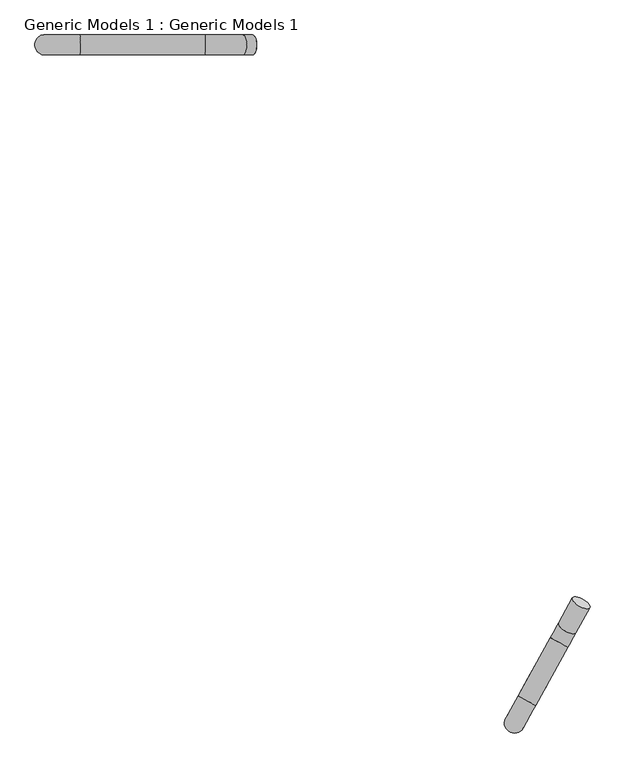
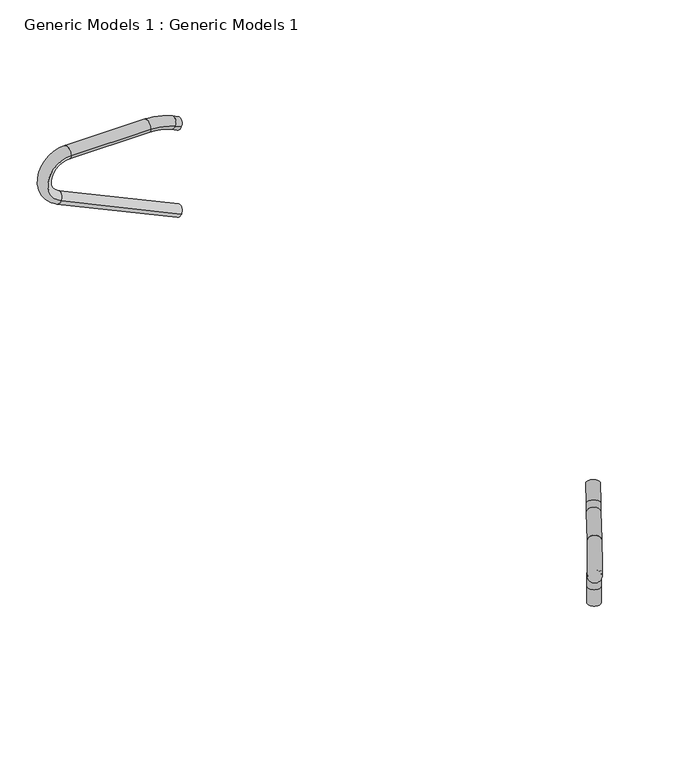
"""IFC4 building model written with IfcOpenShell, lengths in millimetres: proxy geometry, Generic Models 1 : Generic Models 1."""

from ifc_helpers import new_model, si_unit, point, frame, origin, place, context, project, spatial, circle_curve, ellipse_curve, trimmed, source, transform, mapped, element, save
from ifc_brep_helpers import plane_surface, revolved_surface, extruded_surface, advanced_brep


def generic_models_1_generic_models_1_4adf2e5b(model_context):
    return source(origin(), model_context, "Body", "AdvancedBrep", [
        advanced_brep(
        [(2051.045864, -1021.5930583, 1098.87259), (1917.8156327, -947.5966701, 1098.87259), (1944.8619846, -1212.7767522, 996.8948035), (1811.6317532, -1138.780364, 996.8948035), (1749.0873034, -1251.3914215, 968.337417), (1882.3175347, -1325.3878097, 968.337417), (1634.9145421, -1770.8360099, 968.337417), (1501.6843108, -1696.8396218, 968.337417), (1455.3653775, -1780.236695, 585.7224661), (1588.5956088, -1854.2330831, 585.7224661), (1686.6412356, -1677.7022839, 478.3539288), (1553.4110043, -1603.7058957, 478.3539288), (1631.9253806, -1462.3410429, 209.2315025), (1765.155612, -1536.3374311, 209.2315025), (1765.155612, -1536.3374311, 0.0), (1631.9253806, -1462.3410429, 0.0)],
        [
            (0, 1, ellipse_curve(frame((1984.4307483, -984.5948642, 1098.87259), z_axis=(0.4400492310185408, 0.7923070611342904, 0.4226182617407049), x_axis=(-0.8742141162936443, 0.48554060476228234, 0.0)), 76.2, 69.85)),
            (1, 0, ellipse_curve(frame((1984.4307483, -984.5948642, 1098.87259), z_axis=(0.4400492310185408, 0.7923070611342904, 0.4226182617407049), x_axis=(-0.8742141162936443, 0.48554060476228234, 0.0)), 76.2, 69.85)),
            (0, 2),
            (2, 3, ellipse_curve(frame((1878.2468689, -1175.7785581, 996.8948035), z_axis=(0.44004923101854043, 0.792307061134287, 0.4226182617407119), x_axis=(-0.8742141162936439, 0.48554060476228356, 0.0)), 76.2, 69.85)),
            (3, 1),
            (3, 2, ellipse_curve(frame((1878.2468689, -1175.7785581, 996.8948035), z_axis=(0.44004923101854043, 0.792307061134287, 0.4226182617407119), x_axis=(-0.8742141162936439, 0.48554060476228356, 0.0)), 76.2, 69.85)),
            (4, 3, circle_curve(frame((1749.0873034, -1251.3914215, 1273.137417), z_axis=(0.8742141162936438, -0.48554060476228317, 0.0), x_axis=(0.2051983263891702, 0.3694588502172124, -0.9063077870366443)), 304.8)),
            (2, 5, circle_curve(frame((1882.3175347, -1325.3878097, 1273.137417), z_axis=(-0.8742141162936438, 0.48554060476228317, 0.0), x_axis=(0.2051983263891702, 0.3694588502172124, -0.9063077870366443)), 304.8)),
            (5, 4, ellipse_curve(frame((1815.702419, -1288.3896156, 968.337417), z_axis=(0.4855406047622849, 0.8742141162936429, 0.0), x_axis=(-0.874214116293643, 0.485540604762285, 0.0)), 76.2, 69.85)),
            (4, 5, ellipse_curve(frame((1815.702419, -1288.3896156, 968.337417), z_axis=(0.4855406047622849, 0.8742141162936429, 0.0), x_axis=(-0.874214116293643, 0.485540604762285, 0.0)), 76.2, 69.85)),
            (5, 6),
            (6, 7, ellipse_curve(frame((1568.2994265, -1733.8378158, 968.337417), z_axis=(0.48554060476228456, 0.8742141162936431, 0.0), x_axis=(-0.8742141162936432, 0.48554060476228467, 0.0)), 76.2, 69.85)),
            (7, 4),
            (7, 6, ellipse_curve(frame((1568.2994265, -1733.8378158, 968.337417), z_axis=(0.48554060476228456, 0.8742141162936431, 0.0), x_axis=(-0.8742141162936432, 0.48554060476228467, 0.0)), 76.2, 69.85)),
            (8, 7, circle_curve(frame((1501.6843108, -1696.8396218, 765.137417), z_axis=(-0.8742141162936438, 0.48554060476228317, 0.0), x_axis=(0.0, 0.0, 1.0000000000000002)), 203.2)),
            (6, 9, circle_curve(frame((1634.9145421, -1770.8360099, 765.137417), z_axis=(0.8742141162936438, -0.48554060476228317, 0.0), x_axis=(0.0, 0.0, 1.0000000000000002)), 203.2)),
            (9, 8, ellipse_curve(frame((1521.9804931, -1817.234889, 585.7224661), z_axis=(-0.4287069082101228, -0.7718852496247651, 0.4694715627858962), x_axis=(-0.8742141162936454, 0.4855406047622806, 0.0)), 76.2, 69.85)),
            (8, 9, ellipse_curve(frame((1521.9804931, -1817.234889, 585.7224661), z_axis=(-0.4287069082101222, -0.771885249624764, 0.469471562785898), x_axis=(-0.8742141162936454, 0.4855406047622806, 0.0)), 76.2, 69.85)),
            (9, 10),
            (10, 11, ellipse_curve(frame((1620.02612, -1640.7040898, 478.3539288), z_axis=(-0.42870690821012386, -0.7718852496247671, 0.46947156278589186), x_axis=(-0.8742141162936455, 0.48554060476228056, 0.0)), 76.2, 69.85)),
            (11, 8),
            (11, 10, ellipse_curve(frame((1620.02612, -1640.7040898, 478.3539288), z_axis=(-0.42870690821012386, -0.7718852496247671, 0.46947156278589186), x_axis=(-0.8742141162936455, 0.48554060476228056, 0.0)), 76.2, 69.85)),
            (12, 11, circle_curve(frame((1483.9326043, -1728.8015056, 209.2315025), z_axis=(0.8742141162936438, -0.48554060476228317, 0.0), x_axis=(0.22794750651375587, 0.41041866738586386, 0.8829475928589269)), 304.8)),
            (10, 13, circle_curve(frame((1617.1628356, -1802.7978937, 209.2315025), z_axis=(-0.8742141162936438, 0.48554060476228317, 0.0), x_axis=(0.22794750651375587, 0.41041866738586386, 0.8829475928589269)), 304.8)),
            (13, 12, ellipse_curve(frame((1698.5404963, -1499.339237, 209.2315025), z_axis=(0.0, 0.0, 1.0), x_axis=(-0.8742141162936456, 0.48554060476228017, 0.0)), 76.2, 69.85)),
            (12, 13, ellipse_curve(frame((1698.5404963, -1499.339237, 209.2315025), z_axis=(0.0, 0.0, 1.0), x_axis=(-0.8742141162936456, 0.48554060476228017, 0.0)), 76.2, 69.85)),
            (14, 15, ellipse_curve(frame((1698.5404963, -1499.339237, 0.0), z_axis=(0.0, 0.0, -1.0), x_axis=(-0.8742141162936455, 0.48554060476228006, 0.0)), 76.2, 69.85)),
            (15, 14, ellipse_curve(frame((1698.5404963, -1499.339237, 0.0), z_axis=(0.0, 0.0, -1.0), x_axis=(-0.8742141162936455, 0.48554060476228006, 0.0)), 76.2, 69.85)),
            (13, 14),
            (15, 12),
        ],
        [
            plane_surface(frame((1984.4307483, -984.5948642, 1098.87259), z_axis=(0.4400492310185392, 0.7923070611342911, 0.42261826174070527), x_axis=(-0.8742141162936443, 0.4855406047622822, 0.0))),
            extruded_surface(trimmed(ellipse_curve(frame((1878.2468689, -1175.7785581, 996.8948035), z_axis=(0.4400492310185408, 0.7923070611342904, 0.4226182617407049), x_axis=(-0.8742141162936443, 0.48554060476228234, 0.0)), 76.2, 69.85), [point((1944.8619846, -1212.7767522, 996.8948035))], [point((1811.6317532, -1138.780364, 996.8948035))], True, "CARTESIAN"), (106.18387940000002, 191.1836939000001, 101.97778649999998), 241.299999994037),
            extruded_surface(trimmed(ellipse_curve(frame((1878.2468689, -1175.7785581, 996.8948035), z_axis=(0.4400492310185408, 0.7923070611342904, 0.4226182617407049), x_axis=(-0.8742141162936443, 0.48554060476228234, 0.0)), 76.2, 69.85), [point((1811.6317532, -1138.780364, 996.8948035))], [point((1944.8619846, -1212.7767522, 996.8948035))], True, "CARTESIAN"), (106.18387940000002, 191.1836939000001, 101.97778649999998), 241.299999994037),
            revolved_surface(trimmed(ellipse_curve(frame((1878.2468689, -1175.7785581, 996.8948035), z_axis=(0.44004923101854065, 0.7923070611342872, 0.422618261740712), x_axis=(-0.8742141162936439, 0.48554060476228356, 0.0)), 76.2, 69.85), [point((1944.8619846, -1212.7767522, 996.8948035))], [point((1811.6317532, -1138.780364, 996.8948035))], True, "CARTESIAN"), (1815.702419, -1288.3896156, 1273.137417), (-0.874214116293644, 0.4855406047622833, 0.0)),
            revolved_surface(trimmed(ellipse_curve(frame((1878.2468689, -1175.7785581, 996.8948035), z_axis=(0.44004923101854065, 0.7923070611342872, 0.422618261740712), x_axis=(-0.8742141162936439, 0.48554060476228356, 0.0)), 76.2, 69.85), [point((1811.6317532, -1138.780364, 996.8948035))], [point((1944.8619846, -1212.7767522, 996.8948035))], True, "CARTESIAN"), (1815.702419, -1288.3896156, 1273.137417), (-0.874214116293644, 0.4855406047622833, 0.0)),
            extruded_surface(trimmed(ellipse_curve(frame((1568.2994265, -1733.8378158, 968.337417), z_axis=(0.48554060476228467, 0.874214116293643, 0.0), x_axis=(-0.874214116293643, 0.48554060476228467, 0.0)), 76.2, 69.85), [point((1634.9145421, -1770.8360099, 968.337417))], [point((1501.6843108, -1696.8396218, 968.337417))], True, "CARTESIAN"), (247.40299249999998, 445.4482002, 0.0), 509.54130329088565),
            extruded_surface(trimmed(ellipse_curve(frame((1568.2994265, -1733.8378158, 968.337417), z_axis=(0.48554060476228467, 0.874214116293643, 0.0), x_axis=(-0.874214116293643, 0.48554060476228467, 0.0)), 76.2, 69.85), [point((1501.6843108, -1696.8396218, 968.337417))], [point((1634.9145421, -1770.8360099, 968.337417))], True, "CARTESIAN"), (247.40299249999998, 445.4482002, 0.0), 509.54130329088565),
            revolved_surface(trimmed(ellipse_curve(frame((1568.2994265, -1733.8378158, 968.337417), z_axis=(0.4855406047622848, 0.8742141162936434, 0.0), x_axis=(-0.8742141162936432, 0.48554060476228467, 0.0)), 76.2, 69.85), [point((1634.9145421, -1770.8360099, 968.337417))], [point((1501.6843108, -1696.8396218, 968.337417))], True, "CARTESIAN"), (1568.2994265, -1733.8378158, 765.137417), (0.874214116293644, -0.4855406047622833, 0.0)),
            revolved_surface(trimmed(ellipse_curve(frame((1568.2994265, -1733.8378158, 968.337417), z_axis=(0.4855406047622848, 0.8742141162936434, 0.0), x_axis=(-0.8742141162936432, 0.48554060476228467, 0.0)), 76.2, 69.85), [point((1501.6843108, -1696.8396218, 968.337417))], [point((1634.9145421, -1770.8360099, 968.337417))], True, "CARTESIAN"), (1568.2994265, -1733.8378158, 765.137417), (0.874214116293644, -0.4855406047622833, 0.0)),
            extruded_surface(trimmed(ellipse_curve(frame((1620.02612, -1640.7040898, 478.3539288), z_axis=(-0.42870690821012425, -0.7718852496247673, 0.4694715627858912), x_axis=(-0.8742141162936452, 0.48554060476228067, 0.0)), 76.2, 69.85), [point((1686.6412356, -1677.7022839, 478.3539288))], [point((1553.4110043, -1603.7058957, 478.3539288))], True, "CARTESIAN"), (-98.04562689999989, -176.53079920000005, 107.36853730000001), 228.70083257904028),
            extruded_surface(trimmed(ellipse_curve(frame((1620.02612, -1640.7040898, 478.3539288), z_axis=(-0.42870690821012425, -0.7718852496247673, 0.4694715627858912), x_axis=(-0.8742141162936452, 0.48554060476228067, 0.0)), 76.2, 69.85), [point((1553.4110043, -1603.7058957, 478.3539288))], [point((1686.6412356, -1677.7022839, 478.3539288))], True, "CARTESIAN"), (-98.04562689999989, -176.53079920000005, 107.36853730000001), 228.70083257904028),
            revolved_surface(trimmed(ellipse_curve(frame((1620.02612, -1640.7040898, 478.3539288), z_axis=(-0.428706908210124, -0.7718852496247675, 0.4694715627858921), x_axis=(-0.8742141162936455, 0.48554060476228056, 0.0)), 76.2, 69.85), [point((1686.6412356, -1677.7022839, 478.3539288))], [point((1553.4110043, -1603.7058957, 478.3539288))], True, "CARTESIAN"), (1550.54772, -1765.7996996, 209.2315025), (-0.874214116293644, 0.4855406047622833, 0.0)),
            revolved_surface(trimmed(ellipse_curve(frame((1620.02612, -1640.7040898, 478.3539288), z_axis=(-0.428706908210124, -0.7718852496247675, 0.4694715627858921), x_axis=(-0.8742141162936455, 0.48554060476228056, 0.0)), 76.2, 69.85), [point((1553.4110043, -1603.7058957, 478.3539288))], [point((1686.6412356, -1677.7022839, 478.3539288))], True, "CARTESIAN"), (1550.54772, -1765.7996996, 209.2315025), (-0.874214116293644, 0.4855406047622833, 0.0)),
            plane_surface(frame((1698.5404963, -1499.339237, 0.0), z_axis=(0.0, 0.0, -1.0000000000000002), x_axis=(-0.8742141162936439, 0.4855406047622828, 0.0))),
            extruded_surface(trimmed(ellipse_curve(frame((1698.5404963, -1499.339237, 0.0), z_axis=(0.0, 0.0, 1.0), x_axis=(-0.8742141162936455, 0.48554060476228006, 0.0)), 76.2, 69.85), [point((1765.155612, -1536.3374311, 0.0))], [point((1631.9253806, -1462.3410429, 0.0))], True, "CARTESIAN"), (0.0, 0.0, 209.2315025), 209.2315025),
            extruded_surface(trimmed(ellipse_curve(frame((1698.5404963, -1499.339237, 0.0), z_axis=(0.0, 0.0, 1.0), x_axis=(-0.8742141162936455, 0.48554060476228006, 0.0)), 76.2, 69.85), [point((1631.9253806, -1462.3410429, 0.0))], [point((1765.155612, -1536.3374311, 0.0))], True, "CARTESIAN"), (0.0, 0.0, 209.2315025), 209.2315025),
        ],
        [
            (0, [[1, 2]]),
            (1, [[-1, 3, 4, 5]]),
            (2, [[-2, -5, 6, -3]]),
            (3, [[7, -4, 8, 9]]),
            (4, [[-8, -6, -7, 10]]),
            (5, [[-9, 11, 12, 13]]),
            (6, [[-10, -13, 14, -11]]),
            (7, [[15, -12, 16, 17]]),
            (8, [[-16, -14, -15, 18]]),
            (9, [[-17, 19, 20, 21]]),
            (10, [[-18, -21, 22, -19]]),
            (11, [[23, -20, 24, 25]]),
            (12, [[-24, -22, -23, 26]]),
            (13, [[27, 28]]),
            (14, [[-25, 29, -28, 30]]),
            (15, [[-26, -30, -27, -29]]),
        ],
    ),
        advanced_brep(
        [(-533.1034418, 3364.7540649, 2843.6954826), (-533.1034418, 3212.3540649, 2843.6954826), (-1974.1223502, 3364.7540649, 3515.6536351), (-1974.1223502, 3212.3540649, 3515.6536351), (-1856.0428078, 3212.3540649, 4048.2760308), (-1856.0428078, 3364.7540649, 4048.2760308), (-898.9072669, 3364.7540649, 4048.2760308), (-898.9072669, 3212.3540649, 4048.2760308), (-609.075663, 3212.3540649, 3984.0219111), (-609.075663, 3364.7540649, 3984.0219111), (-534.2599552, 3364.7540649, 3949.1347736), (-534.2599552, 3212.3540649, 3949.1347736)],
        [
            (0, 1, ellipse_curve(frame((-533.1034418, 3288.5540649, 2843.6954826), z_axis=(0.9063077870366572, 0.0, -0.4226182617406841), x_axis=(0.0, -1.0, 0.0)), 76.2, 69.85)),
            (1, 0, ellipse_curve(frame((-533.1034418, 3288.5540649, 2843.6954826), z_axis=(0.9063077870366572, 0.0, -0.4226182617406841), x_axis=(0.0, -1.0, 0.0)), 76.2, 69.85)),
            (0, 2),
            (2, 3, ellipse_curve(frame((-1974.1223502, 3288.5540649, 3515.6536351), z_axis=(0.9063077870366568, 0.0, -0.4226182617406849), x_axis=(0.0, -1.0, 0.0)), 76.2, 69.85)),
            (3, 1),
            (3, 2, ellipse_curve(frame((-1974.1223502, 3288.5540649, 3515.6536351), z_axis=(0.9063077870366568, 0.0, -0.4226182617406849), x_axis=(0.0, -1.0, 0.0)), 76.2, 69.85)),
            (4, 3, circle_curve(frame((-1856.0428078, 3212.3540649, 3768.8760308), z_axis=(0.0, -1.0, 0.0), x_axis=(-0.42261826174069006, 0.0, -0.9063077870366544)), 279.4)),
            (2, 5, circle_curve(frame((-1856.0428078, 3364.7540649, 3768.8760308), z_axis=(0.0, 1.0, 0.0), x_axis=(-0.42261826174069006, 0.0, -0.9063077870366544)), 279.4)),
            (5, 4, ellipse_curve(frame((-1856.0428078, 3288.5540649, 4048.2760308), z_axis=(-1.0, 0.0, 0.0), x_axis=(0.0, -1.0, 0.0)), 76.2, 69.85)),
            (4, 5, ellipse_curve(frame((-1856.0428078, 3288.5540649, 4048.2760308), z_axis=(-1.0, 0.0, 0.0), x_axis=(0.0, -1.0, 0.0)), 76.2, 69.85)),
            (5, 6),
            (6, 7, ellipse_curve(frame((-898.9072669, 3288.5540649, 4048.2760308), z_axis=(-1.0, 0.0, 0.0), x_axis=(0.0, -1.0, 0.0)), 76.2, 69.85)),
            (7, 4),
            (7, 6, ellipse_curve(frame((-898.9072669, 3288.5540649, 4048.2760308), z_axis=(-1.0, 0.0, 0.0), x_axis=(0.0, -1.0, 0.0)), 76.2, 69.85)),
            (8, 7, circle_curve(frame((-898.9072669, 3212.3540649, 3362.4760308), z_axis=(0.0, -1.0, 0.0), x_axis=(0.0, 0.0, 1.0)), 685.8)),
            (6, 9, circle_curve(frame((-898.9072669, 3364.7540649, 3362.4760308), z_axis=(0.0, 1.0, 0.0), x_axis=(0.0, 0.0, 1.0)), 685.8)),
            (9, 8, ellipse_curve(frame((-609.075663, 3288.5540649, 3984.0219111), z_axis=(-0.9063077870366557, 0.0, 0.4226182617406873), x_axis=(0.0, -1.0, 0.0)), 76.2, 69.85)),
            (8, 9, ellipse_curve(frame((-609.075663, 3288.5540649, 3984.0219111), z_axis=(-0.9063077870366558, 0.0, 0.42261826174068706), x_axis=(0.0, -1.0, 0.0)), 76.2, 69.85)),
            (10, 11, ellipse_curve(frame((-534.2599552, 3288.5540649, 3949.1347736), z_axis=(0.906307787036653, 0.0, -0.422618261740693), x_axis=(0.0, -1.0, 0.0)), 76.2, 69.85)),
            (11, 10, ellipse_curve(frame((-534.2599552, 3288.5540649, 3949.1347736), z_axis=(0.906307787036653, 0.0, -0.422618261740693), x_axis=(0.0, -1.0, 0.0)), 76.2, 69.85)),
            (9, 10),
            (11, 8),
        ],
        [
            plane_surface(frame((-533.1034418, 3301.2540649, 2843.6954826), z_axis=(0.9063077870366546, 0.0, -0.4226182617406895), x_axis=(0.0, 1.0, 0.0))),
            extruded_surface(trimmed(ellipse_curve(frame((-1974.1223502, 3288.5540649, 3515.6536351), z_axis=(0.9063077870366572, 0.0, -0.4226182617406841), x_axis=(0.0, -1.0, 0.0)), 76.2, 69.85), [point((-1974.1223502, 3364.7540649, 3515.6536351))], [point((-1974.1223502, 3212.3540649, 3515.6536351))], True, "CARTESIAN"), (1441.0189083999999, 0.0, -671.9581524999999), 1589.9884443220146),
            extruded_surface(trimmed(ellipse_curve(frame((-1974.1223502, 3288.5540649, 3515.6536351), z_axis=(0.9063077870366572, 0.0, -0.4226182617406841), x_axis=(0.0, -1.0, 0.0)), 76.2, 69.85), [point((-1974.1223502, 3212.3540649, 3515.6536351))], [point((-1974.1223502, 3364.7540649, 3515.6536351))], True, "CARTESIAN"), (1441.0189083999999, 0.0, -671.9581524999999), 1589.9884443220146),
            revolved_surface(trimmed(ellipse_curve(frame((-1974.1223502, 3288.5540649, 3515.6536351), z_axis=(0.9063077870366568, 0.0, -0.4226182617406849), x_axis=(0.0, -1.0, 0.0)), 76.2, 69.85), [point((-1974.1223502, 3364.7540649, 3515.6536351))], [point((-1974.1223502, 3212.3540649, 3515.6536351))], True, "CARTESIAN"), (-1856.0428078, 3301.2540649, 3768.8760308), (0.0, 1.0, 0.0)),
            revolved_surface(trimmed(ellipse_curve(frame((-1974.1223502, 3288.5540649, 3515.6536351), z_axis=(0.9063077870366568, 0.0, -0.4226182617406849), x_axis=(0.0, -1.0, 0.0)), 76.2, 69.85), [point((-1974.1223502, 3212.3540649, 3515.6536351))], [point((-1974.1223502, 3364.7540649, 3515.6536351))], True, "CARTESIAN"), (-1856.0428078, 3301.2540649, 3768.8760308), (0.0, 1.0, 0.0)),
            extruded_surface(trimmed(ellipse_curve(frame((-898.9072669, 3288.5540649, 4048.2760308), z_axis=(-1.0, 0.0, 0.0), x_axis=(0.0, -1.0, 0.0)), 76.2, 69.85), [point((-898.9072669, 3364.7540649, 4048.2760308))], [point((-898.9072669, 3212.3540649, 4048.2760308))], True, "CARTESIAN"), (-957.1355409, 0.0, 0.0), 957.1355409),
            extruded_surface(trimmed(ellipse_curve(frame((-898.9072669, 3288.5540649, 4048.2760308), z_axis=(-1.0, 0.0, 0.0), x_axis=(0.0, -1.0, 0.0)), 76.2, 69.85), [point((-898.9072669, 3212.3540649, 4048.2760308))], [point((-898.9072669, 3364.7540649, 4048.2760308))], True, "CARTESIAN"), (-957.1355409, 0.0, 0.0), 957.1355409),
            revolved_surface(trimmed(ellipse_curve(frame((-898.9072669, 3288.5540649, 4048.2760308), z_axis=(-1.0, 0.0, 0.0), x_axis=(0.0, -1.0, 0.0)), 76.2, 69.85), [point((-898.9072669, 3364.7540649, 4048.2760308))], [point((-898.9072669, 3212.3540649, 4048.2760308))], True, "CARTESIAN"), (-898.9072669, 3301.2540649, 3362.4760308), (0.0, 1.0, 0.0)),
            revolved_surface(trimmed(ellipse_curve(frame((-898.9072669, 3288.5540649, 4048.2760308), z_axis=(-1.0, 0.0, 0.0), x_axis=(0.0, -1.0, 0.0)), 76.2, 69.85), [point((-898.9072669, 3212.3540649, 4048.2760308))], [point((-898.9072669, 3364.7540649, 4048.2760308))], True, "CARTESIAN"), (-898.9072669, 3301.2540649, 3362.4760308), (0.0, 1.0, 0.0)),
            plane_surface(frame((-534.2599552, 3301.2540649, 3949.1347736), z_axis=(0.9063077870366505, 0.0, -0.4226182617406984), x_axis=(0.0, 1.0, 0.0))),
            extruded_surface(trimmed(ellipse_curve(frame((-534.2599552, 3288.5540649, 3949.1347736), z_axis=(-0.906307787036653, 0.0, 0.422618261740693), x_axis=(0.0, -1.0, 0.0)), 76.2, 69.85), [point((-534.2599552, 3364.7540649, 3949.1347736))], [point((-534.2599552, 3212.3540649, 3949.1347736))], True, "CARTESIAN"), (-74.81570779999993, 0.0, 34.887137500000335), 82.54999997915748),
            extruded_surface(trimmed(ellipse_curve(frame((-534.2599552, 3288.5540649, 3949.1347736), z_axis=(-0.906307787036653, 0.0, 0.422618261740693), x_axis=(0.0, -1.0, 0.0)), 76.2, 69.85), [point((-534.2599552, 3212.3540649, 3949.1347736))], [point((-534.2599552, 3364.7540649, 3949.1347736))], True, "CARTESIAN"), (-74.81570779999993, 0.0, 34.887137500000335), 82.54999997915748),
        ],
        [
            (0, [[1, 2]]),
            (1, [[-1, 3, 4, 5]]),
            (2, [[-2, -5, 6, -3]]),
            (3, [[7, -4, 8, 9]]),
            (4, [[-8, -6, -7, 10]]),
            (5, [[-9, 11, 12, 13]]),
            (6, [[-10, -13, 14, -11]]),
            (7, [[15, -12, 16, 17]]),
            (8, [[-16, -14, -15, 18]]),
            (9, [[19, 20]]),
            (10, [[-17, 21, -20, 22]]),
            (11, [[-18, -22, -19, -21]]),
        ],
    ),
    ])


if __name__ == "__main__":
    model = new_model("IFC4")
    model_context = context("Model", 3, world=origin())
    ifc_project = project(units=[si_unit("LENGTHUNIT", "METRE", prefix="MILLI")], contexts=[model_context])
    site = spatial("IfcSite", under=ifc_project)
    building = spatial("IfcBuilding", under=site)
    placement = place(None, origin())
    generic_models_1_generic_models_1_shape = generic_models_1_generic_models_1_4adf2e5b(model_context)
    element("IfcBuildingElementProxy", 1, Name="Generic Models 1 : Generic Models 1", ObjectType="Generic Models 1 : Generic Models 1", at=placement, inside=building, context=model_context, shape_type="MappedRepresentation", body=[
        mapped(generic_models_1_generic_models_1_shape, transform((0.0, 0.0, 0.0), x_axis=(1.0, 0.0, 0.0), y_axis=(0.0, 1.0, 0.0), z_axis=(0.0, 0.0, 1.0))),
    ])
    save(model, "model.ifc")
